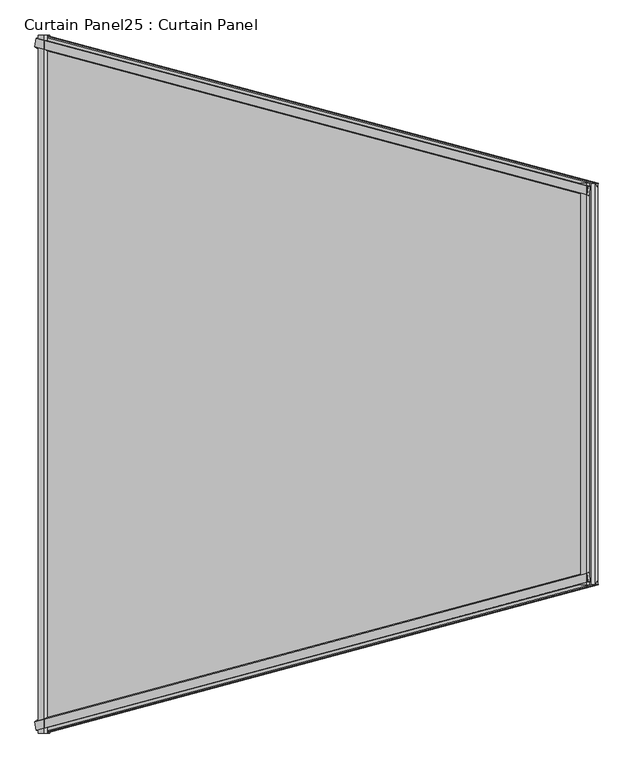
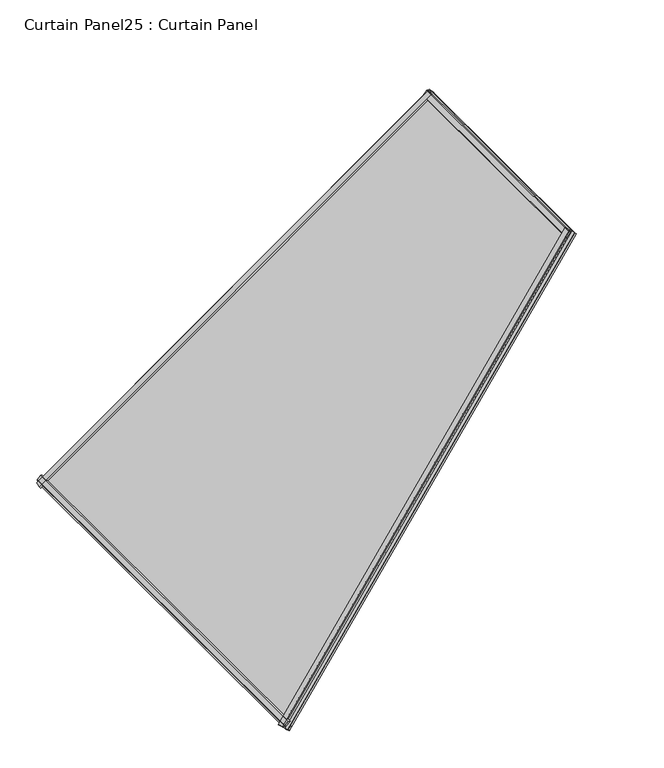
"""IFC4 building model written with IfcOpenShell, lengths in millimetres: plate geometry, Curtain Panel25 : Curtain Panel."""

from ifc_helpers import new_model, si_unit, frame, origin, place, context, project, spatial, polyline, outline, extrude, source, transform, mapped, element, save


def curtain_panel25_curtain_panel_9bfdbb29(model_context):
    return source(origin(), model_context, "Body", "SweptSolid", [
        extrude(outline(polyline([(22.3831197, -5.9476601), (22.4361731, -22.532548), (17.5121094, -25.3444409), (17.5121093, -5.9632421), (22.3831197, -5.9476601)])), frame((-14744.7029866, -14369.6551349, 2447.9025634), z_axis=(0.6830127018922181, 0.18301270189222135, 0.7071067811865483), x_axis=(-0.7192545966764045, 0.0, 0.6947465906068649)), (0.0, 0.0, 1.0), 1550.2697454),
        extrude(outline(polyline([(-2.3405704, 0.0), (4.7128906, 0.0), (4.7128906, -11.3518129), (-0.0198592, -12.2485208), (-2.3405704, 0.0)])), frame((-14744.7029866, -14369.6551349, 2447.9025634), z_axis=(0.6830127018922181, 0.18301270189222135, 0.7071067811865483), x_axis=(-0.7192545966764045, 0.0, 0.6947465906068649)), (0.0, 0.0, 1.0), 1550.2697454),
        extrude(outline(polyline([(22.3831197, 5.94766), (17.5121093, 5.963242), (17.5121094, 25.3444409), (22.4361731, 22.5325479), (22.3831197, 5.94766)])), frame((-14744.7029866, -13032.5935183, 2447.9025634), z_axis=(0.6830127018922195, -0.18301270189221563, 0.7071067811865485), x_axis=(-0.7192545966764043, 0.0, 0.6947465906068652)), (0.0, 0.0, 1.0), 1550.2697454),
        extrude(outline(polyline([(-2.3405704, 0.0), (-0.0198592, 12.2485207), (4.7128906, 11.3518128), (4.7128906, 0.0), (-2.3405704, 0.0)])), frame((-14744.7029866, -13032.5935183, 2447.9025634), z_axis=(0.6830127018922195, -0.18301270189221563, 0.7071067811865485), x_axis=(-0.7192545966764043, 0.0, 0.6947465906068652)), (0.0, 0.0, 1.0), 1550.2697454),
        extrude(outline(polyline([(2451.3951409, -14747.8818808), (2447.5796422, -14741.0046208), (2457.3093459, -14735.6065884), (2461.2985155, -14738.3159555), (2451.3951409, -14747.8818808)])), frame((0.0, -14369.5421278, 0.0), z_axis=(0.0, 1.0, 0.0), x_axis=(0.0, 0.0, 1.0)), (0.0, 0.0, 1.0), 1336.8356025),
        extrude(outline(polyline([(2479.4739025, -14745.4469606), (2467.4899121, -14757.0284515), (2463.1338731, -14754.3382519), (2477.8080844, -14740.1640523), (2479.4739025, -14745.4469606)])), frame((0.0, -14369.5421278, 0.0), z_axis=(0.0, 1.0, 0.0), x_axis=(0.0, 0.0, 1.0)), (0.0, 0.0, 1.0), 1336.8356025),
        extrude(outline(polyline([(3547.6013905, -13689.0279534), (3537.6980159, -13698.5938787), (3535.1285183, -13694.5132138), (3540.8604849, -13684.9764194), (3547.6013905, -13689.0279534)])), frame((0.0, -14085.8230731, 0.0), z_axis=(0.0, 1.0, 0.0), x_axis=(0.0, 0.0, 1.0)), (0.0, 0.0, 1.0), 769.397493),
        extrude(outline(polyline([(3544.1948816, -13717.0054691), (3538.9728742, -13715.1575758), (3553.6470855, -13700.9833761), (3556.1847135, -13705.4300259), (3544.1948816, -13717.0054691)])), frame((0.0, -14085.8230731, 0.0), z_axis=(0.0, 1.0, 0.0), x_axis=(0.0, 0.0, 1.0)), (0.0, 0.0, 1.0), 769.397493),
        extrude(outline(polyline([(-15.9786627, -1e-07), (-260.65724, -1314.3682811), (-1707.0786038, -756.51389), (-1566.248408, 0.0), (-15.9786627, -1e-07)])), frame((-14758.7955104, -14372.5229296, 2440.0965202), z_axis=(-0.7192545966764045, 0.0, 0.694746590606865), x_axis=(-0.683012701892218, -0.18301270189222266, -0.707106781186548)), (0.0, 0.0, 1.0), 12.7992188),
    ])


if __name__ == "__main__":
    model = new_model("IFC4")
    model_context = context("Model", 3, world=origin())
    ifc_project = project(units=[si_unit("LENGTHUNIT", "METRE", prefix="MILLI")], contexts=[model_context])
    site = spatial("IfcSite", under=ifc_project)
    building = spatial("IfcBuilding", under=site)
    placement = place(None, origin())
    curtain_panel25_curtain_panel_shape = curtain_panel25_curtain_panel_9bfdbb29(model_context)
    element("IfcPlate", 1, ObjectType="Curtain Panel25 : Curtain Panel", at=placement, inside=building, context=model_context, shape_type="MappedRepresentation", body=[
        mapped(curtain_panel25_curtain_panel_shape, transform((0.0, 0.0, 0.0), x_axis=(1.0, 0.0, 0.0), y_axis=(0.0, 1.0, 0.0), z_axis=(0.0, 0.0, 1.0))),
    ])
    save(model, "model.ifc")
